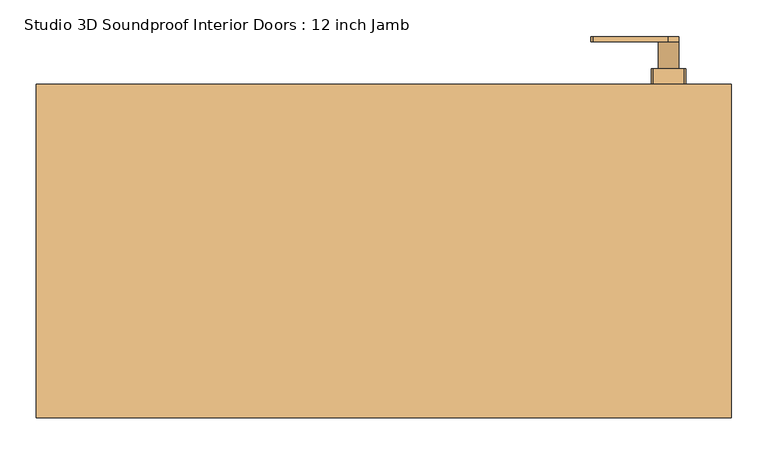
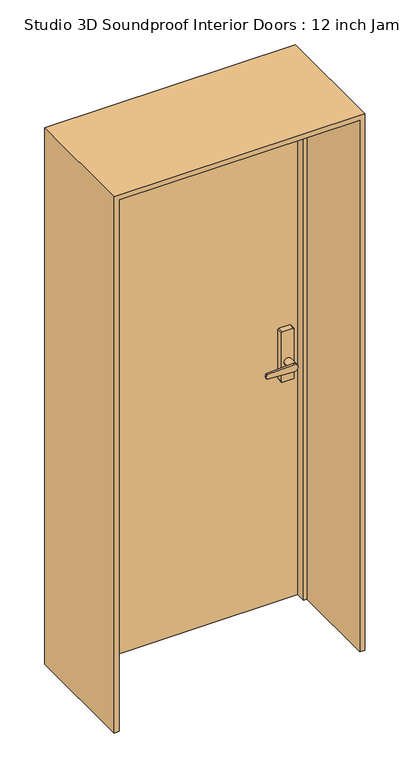
"""IFC4 building model written with IfcOpenShell, lengths in millimetres: door geometry, Studio 3D Soundproof Interior Doors : 12 inch Jamb."""

import ifcopenshell
import ifcopenshell.guid

model = None  # the IFC model being written
_history = None  # IfcOwnerHistory: only IFC2X3 demands one
_inside = {}  # id of a spatial element -> (the spatial element, [elements in it])
_under = {}  # id of a project, library or spatial element -> (it, [spatial elements below it])
_declared = {}  # id of a project -> (the project, [libraries it declares])
_typed = {}  # id of a type object -> (the type object, [elements of that type])
_made_of = {}  # id of a material, layer set ... -> (it, [elements and type objects made of it])


def new_model(schema):
    """Start an empty IFC model of exactly this schema.

    Asked for "IFC4X3", IfcOpenShell would pick the latest addendum, in which some entities
    have other attributes; the version numbers below select the first issue.
    IFC2X3 requires an IfcOwnerHistory on every rooted entity: one is made here for all.
    """
    global model, _history
    if schema == "IFC4X3":
        model = ifcopenshell.file(schema_version=(4, 3, 0, 0))
    else:
        model = ifcopenshell.file(schema=schema)
    _inside.clear()
    _under.clear()
    _declared.clear()
    _typed.clear()
    _made_of.clear()
    _history = None
    if model.schema == "IFC2X3":
        org = make("IfcOrganization", Name="unknown")
        user = make(
            "IfcPersonAndOrganization",
            ThePerson=make("IfcPerson", FamilyName="unknown"),
            TheOrganization=org,
        )
        app = make(
            "IfcApplication",
            ApplicationDeveloper=org,
            Version="unknown",
            ApplicationFullName="unknown",
            ApplicationIdentifier="unknown",
        )
        _history = make(
            "IfcOwnerHistory",
            OwningUser=user,
            OwningApplication=app,
            ChangeAction="ADDED",
            CreationDate=0,
        )
    return model


def make(cls, **values):
    """One entity of the class cls with the attributes given. An attribute that is None is left unset."""
    return model.create_entity(
        cls, **{name: value for name, value in values.items() if value is not None}
    )


def rooted(cls, **values):
    """An entity with a GlobalId (a new one), such as an element, a storey or a relation."""
    return make(cls, GlobalId=ifcopenshell.guid.new(), OwnerHistory=_history, **values)


def si_unit(unit_type, name, prefix=None):
    """IfcSIUnit, for example si_unit("LENGTHUNIT", "METRE", prefix="MILLI")."""
    return make("IfcSIUnit", UnitType=unit_type, Prefix=prefix, Name=name)


def assignment(units):
    """IfcUnitAssignment: the units of a project."""
    return None if units is None else make("IfcUnitAssignment", Units=units)


def point(xyz):
    """IfcCartesianPoint."""
    return None if xyz is None else make("IfcCartesianPoint", Coordinates=xyz)


def direction(xyz):
    """IfcDirection."""
    return None if xyz is None else make("IfcDirection", DirectionRatios=xyz)


def frame(location, z_axis=None, x_axis=None):
    """IfcAxis2Placement3D, a coordinate frame: its origin and axes. An axis left out is left unset."""
    return make(
        "IfcAxis2Placement3D",
        Location=point(location),
        Axis=direction(z_axis),
        RefDirection=direction(x_axis),
    )


def frame_2d(location, x_axis=None):
    """IfcAxis2Placement2D, a coordinate frame in the plane: its origin and x axis."""
    return make(
        "IfcAxis2Placement2D", Location=point(location), RefDirection=direction(x_axis)
    )


def origin():
    """The frame at (0, 0, 0) with its axes left unset."""
    return frame((0.0, 0.0, 0.0))


def origin_with_axes():
    """The frame at (0, 0, 0) with the z axis (0, 0, 1) and the x axis (1, 0, 0) written out."""
    return frame((0.0, 0.0, 0.0), z_axis=(0.0, 0.0, 1.0), x_axis=(1.0, 0.0, 0.0))


def place(relative_to, where):
    """IfcLocalPlacement: puts the frame where relative to a parent placement (None: the world)."""
    return make(
        "IfcLocalPlacement", PlacementRelTo=relative_to, RelativePlacement=where
    )


def context(
    kind, dimensions, precision=None, world=None, true_north=None, identifier=None
):
    """IfcGeometricRepresentationContext, for example the 3D "Model" context."""
    return make(
        "IfcGeometricRepresentationContext",
        ContextIdentifier=identifier,
        ContextType=kind,
        CoordinateSpaceDimension=dimensions,
        Precision=precision,
        WorldCoordinateSystem=world,
        TrueNorth=true_north,
    )


def project(units=None, contexts=None):
    """IfcProject with its units and contexts."""
    return rooted(
        "IfcProject",
        Name="project",
        RepresentationContexts=contexts,
        UnitsInContext=assignment(units),
    )


def spatial(cls, under=None, at=None, **own):
    """A site, building, storey or space (cls), placed at a placement, below another one or the project."""
    s = rooted(cls, ObjectPlacement=at, **own)
    if under is not None:
        _under.setdefault(under.id(), (under, []))[1].append(s)
    return s


def polyline(points):
    """IfcPolyline through the points."""
    return make("IfcPolyline", Points=[point(p) for p in points])


def circle_curve(where, radius):
    """IfcCircle in the frame where."""
    return make("IfcCircle", Position=where, Radius=radius)


def trimmed(basis, trim1, trim2, sense, master):
    """IfcTrimmedCurve: the piece of a basis curve between two trims."""
    return make(
        "IfcTrimmedCurve",
        BasisCurve=basis,
        Trim1=trim1,
        Trim2=trim2,
        SenseAgreement=sense,
        MasterRepresentation=master,
    )


def segment(curve, same_sense, transition):
    """IfcCompositeCurveSegment."""
    return make(
        "IfcCompositeCurveSegment",
        Transition=transition,
        SameSense=same_sense,
        ParentCurve=curve,
    )


def composite_curve(segments, self_intersect=None):
    """IfcCompositeCurve: segments joined end to end."""
    return make("IfcCompositeCurve", Segments=segments, SelfIntersect=self_intersect)


def outline(outer, holes=None, kind="AREA"):
    """IfcArbitraryClosedProfileDef: a profile drawn as a closed curve; with holes, ...WithVoids."""
    if holes is None:
        return make("IfcArbitraryClosedProfileDef", ProfileType=kind, OuterCurve=outer)
    return make(
        "IfcArbitraryProfileDefWithVoids",
        ProfileType=kind,
        OuterCurve=outer,
        InnerCurves=holes,
    )


def extrude(swept, where, along, depth):
    """IfcExtrudedAreaSolid: the profile swept, set in the frame where, extruded along a direction by depth."""
    return make(
        "IfcExtrudedAreaSolid",
        SweptArea=swept,
        Position=where,
        ExtrudedDirection=direction(along),
        Depth=depth,
    )


def faces_of(points, faces, orient=None, outer=None):
    """IfcFace entities. A face is a list of loops; a loop is a list of indices into points, from 0.

    orient and outer hold one flag for each loop. By default every Orientation is true, the
    first loop of a face is its IfcFaceOuterBound and the others are IfcFaceBound.
    """
    made = []
    for i, loops in enumerate(faces):
        bounds = []
        for j, loop in enumerate(loops):
            is_outer = j == 0 if outer is None else outer[i][j]
            bounds.append(
                make(
                    "IfcFaceOuterBound" if is_outer else "IfcFaceBound",
                    Bound=make("IfcPolyLoop", Polygon=[points[k] for k in loop]),
                    Orientation=True if orient is None else orient[i][j],
                )
            )
        made.append(make("IfcFace", Bounds=bounds))
    return made


def faceted_brep(points, faces, orient=None, outer=None, voids=None):
    """IfcFacetedBrep: a solid bounded by flat faces; with voids (closed shells), ...WithVoids."""
    shared = [point(p) for p in points]
    hull = make("IfcClosedShell", CfsFaces=faces_of(shared, faces, orient, outer))
    if voids is None:
        return make("IfcFacetedBrep", Outer=hull)
    return make(
        "IfcFacetedBrepWithVoids",
        Outer=hull,
        Voids=[
            make(cls, CfsFaces=faces_of(shared, fs, o, b)) for cls, fs, o, b in voids
        ],
    )


def shape(context_of_items, identifier, shape_type, items):
    """IfcShapeRepresentation: the items that make up one representation, for example the "Body"."""
    return make(
        "IfcShapeRepresentation",
        ContextOfItems=context_of_items,
        RepresentationIdentifier=identifier,
        RepresentationType=shape_type,
        Items=items,
    )


def source(mapping_origin, context_of_items, identifier, shape_type, items):
    """IfcRepresentationMap: a shape defined once, which mapped items show again and again."""
    return make(
        "IfcRepresentationMap",
        MappingOrigin=mapping_origin,
        MappedRepresentation=shape(context_of_items, identifier, shape_type, items),
    )


def transform(
    local_origin,
    x_axis=None,
    y_axis=None,
    z_axis=None,
    scale=None,
    scale2=None,
    scale3=None,
    uniform=True,
):
    """IfcCartesianTransformationOperator3D, or its non-uniform kind. x_axis, y_axis, z_axis: its Axis1, 2, 3."""
    if uniform:
        return make(
            "IfcCartesianTransformationOperator3D",
            Axis1=direction(x_axis),
            Axis2=direction(y_axis),
            LocalOrigin=point(local_origin),
            Scale=scale,
            Axis3=direction(z_axis),
        )
    return make(
        "IfcCartesianTransformationOperator3DnonUniform",
        Axis1=direction(x_axis),
        Axis2=direction(y_axis),
        LocalOrigin=point(local_origin),
        Scale=scale,
        Axis3=direction(z_axis),
        Scale2=scale2,
        Scale3=scale3,
    )


def mapped(mapping_source, mapping_target):
    """IfcMappedItem: shows the shape of a source again, moved by a transform."""
    return make(
        "IfcMappedItem", MappingSource=mapping_source, MappingTarget=mapping_target
    )


def made_of(thing, what):
    """Note that an element or type object is made of a material, layer set ...; save() writes the relation."""
    if what is not None:
        _made_of.setdefault(what.id(), (what, []))[1].append(thing)
    return thing


def element(
    cls,
    number,
    at=None,
    inside=None,
    cuts=None,
    type_object=None,
    material=None,
    context=None,
    identifier="Body",
    shape_type=None,
    held_by="IfcProductDefinitionShape",
    body=None,
    shapes=None,
    **own,
):
    """One element of the class cls, such as IfcWall. Its Tag is "e" and its number.

    at: its placement. inside: the storey or other place that contains it. cuts: it is an
    opening in that element (IfcRelVoidsElement). A single representation is given by context,
    identifier, shape_type and body (its items); several are given by shapes. held_by: the class
    of the entity that holds the representations. save() writes the other relations.
    """
    e = rooted(cls, Tag="e%d" % number, ObjectPlacement=at, **own)
    if body is not None:
        shapes = [shape(context, identifier, shape_type, body)]
    if shapes is not None:
        e.Representation = make(held_by, Representations=shapes)
    if inside is not None:
        _inside.setdefault(inside.id(), (inside, []))[1].append(e)
    if cuts is not None:
        rooted(
            "IfcRelVoidsElement", RelatingBuildingElement=cuts, RelatedOpeningElement=e
        )
    if type_object is not None:
        _typed.setdefault(type_object.id(), (type_object, []))[1].append(e)
    return made_of(e, material)


def aggregate(whole, parts):
    """IfcRelAggregates: a whole, such as a stair, and the parts it consists of."""
    return rooted("IfcRelAggregates", RelatingObject=whole, RelatedObjects=parts)


def save(model, path):
    """Write the relations noted so far, then the file.

    IfcRelAggregates (storeys below a building ...), IfcRelContainedInSpatialStructure (elements
    in a storey), IfcRelDefinesByType, IfcRelAssociatesMaterial and IfcRelDeclares: one each for
    every whole, place, type object, material and project.
    """
    for whole, parts in _under.values():
        aggregate(whole, parts)
    for where, things in _inside.values():
        rooted(
            "IfcRelContainedInSpatialStructure",
            RelatedElements=things,
            RelatingStructure=where,
        )
    for kind, things in _typed.values():
        rooted("IfcRelDefinesByType", RelatedObjects=things, RelatingType=kind)
    for what, things in _made_of.values():
        rooted("IfcRelAssociatesMaterial", RelatedObjects=things, RelatingMaterial=what)
    for by, libraries in _declared.values():
        rooted("IfcRelDeclares", RelatingContext=by, RelatedDefinitions=libraries)
    model.write(path)


def studio_3d_soundproof_interior_doors_12_inch_jamb_88465b1b(model_context):
    return source(origin(), model_context, "Body", "SolidModel", [
        extrude(outline(composite_curve([segment(trimmed(circle_curve(frame_2d((971.3540529, 301.4004793)), 17.2515478), [point((980.8500629, 286.9976429))], [point((961.858043, 286.9976429))], False, "CARTESIAN"), True, "CONTINUOUS"), segment(polyline([(961.858043, 286.9976429), (957.1140902, 390.5562374)]), True, "CONTINUOUS"), segment(trimmed(circle_curve(frame_2d((971.3540529, 390.5282704)), 14.2399902), [point((957.1140902, 390.5562374))], [point((985.5940156, 390.5562374))], False, "CARTESIAN"), True, "CONTINUOUS"), segment(polyline([(985.5940156, 390.5562374), (980.8500629, 286.9976429)]), True, "CONTINUOUS")], self_intersect=False)), frame((0.0, 287.1687888, 0.0), z_axis=(0.0, 1.0, 0.0), x_axis=(0.0, 0.0, 1.0)), (0.0, 0.0, 1.0), 6.9288506),
        extrude(outline(composite_curve([segment(trimmed(circle_curve(frame_2d((971.3540529, 390.5282704)), 14.2399902), [point((971.3540529, 376.2882802))], [point((971.3540529, 404.7682606))], False, "CARTESIAN"), True, "CONTINUOUS"), segment(trimmed(circle_curve(frame_2d((971.3540529, 390.5282704)), 14.2399902), [point((971.3540529, 404.7682606))], [point((971.3540529, 376.2882802))], False, "CARTESIAN"), True, "CONTINUOUS")], self_intersect=False)), frame((0.0, 249.8582345, 0.0), z_axis=(0.0, 1.0, 0.0), x_axis=(0.0, 0.0, 1.0)), (0.0, 0.0, 1.0), 37.3105543),
        extrude(outline(composite_curve([segment(polyline([(1097.9675189, 411.2261984), (1097.9675189, 369.8238016)]), True, "CONTINUOUS"), segment(trimmed(circle_curve(frame_2d((1094.8021823, 369.8238016)), 3.1653366), [point((1097.9675189, 369.8238016))], [point((1094.8021823, 366.658465))], False, "CARTESIAN"), True, "CONTINUOUS"), segment(polyline([(1094.8021823, 366.658465), (898.1753792, 366.658465)]), True, "CONTINUOUS"), segment(trimmed(circle_curve(frame_2d((898.1753792, 369.8238016)), 3.1653366), [point((898.1753792, 366.658465))], [point((895.0100425, 369.8238016))], False, "CARTESIAN"), True, "CONTINUOUS"), segment(polyline([(895.0100425, 369.8238016), (895.0100425, 411.2261984)]), True, "CONTINUOUS"), segment(trimmed(circle_curve(frame_2d((898.1753792, 411.2261984)), 3.1653366), [point((895.0100425, 411.2261984))], [point((898.1753792, 414.391535))], False, "CARTESIAN"), True, "CONTINUOUS"), segment(polyline([(898.1753792, 414.391535), (1094.8021823, 414.391535)]), True, "CONTINUOUS"), segment(trimmed(circle_curve(frame_2d((1094.8021823, 411.2261984)), 3.1653366), [point((1094.8021823, 414.391535))], [point((1097.9675189, 411.2261984))], False, "CARTESIAN"), True, "CONTINUOUS")], self_intersect=False)), frame((0.0, 228.6, 0.0), z_axis=(0.0, 1.0, 0.0), x_axis=(0.0, 0.0, 1.0)), (0.0, 0.0, 1.0), 21.2582345),
        extrude(outline(composite_curve([segment(trimmed(circle_curve(frame_2d((971.3540529, 301.4004793)), 17.2515478), [point((980.8500629, 286.9976429))], [point((961.858043, 286.9976429))], False, "CARTESIAN"), True, "CONTINUOUS"), segment(polyline([(961.858043, 286.9976429), (957.1140902, 390.5562374)]), True, "CONTINUOUS"), segment(trimmed(circle_curve(frame_2d((971.3540529, 390.5282704)), 14.2399902), [point((957.1140902, 390.5562374))], [point((985.5940156, 390.5562374))], False, "CARTESIAN"), True, "CONTINUOUS"), segment(polyline([(985.5940156, 390.5562374), (980.8500629, 286.9976429)]), True, "CONTINUOUS")], self_intersect=False)), frame((0.0, 86.2433876, 0.0), z_axis=(0.0, 1.0, 0.0), x_axis=(0.0, 0.0, 1.0)), (0.0, 0.0, 1.0), 6.9288506),
        extrude(outline(composite_curve([segment(trimmed(circle_curve(frame_2d((971.3540529, 390.5282704)), 14.2399902), [point((971.3540529, 376.2882802))], [point((971.3540529, 404.7682606))], False, "CARTESIAN"), True, "CONTINUOUS"), segment(trimmed(circle_curve(frame_2d((971.3540529, 390.5282704)), 14.2399902), [point((971.3540529, 404.7682606))], [point((971.3540529, 376.2882802))], False, "CARTESIAN"), True, "CONTINUOUS")], self_intersect=False)), frame((0.0, 93.1722383, 0.0), z_axis=(0.0, 1.0, 0.0), x_axis=(0.0, 0.0, 1.0)), (0.0, 0.0, 1.0), 37.3105543),
        extrude(outline(composite_curve([segment(polyline([(1097.9675189, 411.2261984), (1097.9675189, 369.8238016)]), True, "CONTINUOUS"), segment(trimmed(circle_curve(frame_2d((1094.8021823, 369.8238016)), 3.1653366), [point((1097.9675189, 369.8238016))], [point((1094.8021823, 366.658465))], False, "CARTESIAN"), True, "CONTINUOUS"), segment(polyline([(1094.8021823, 366.658465), (898.1753792, 366.658465)]), True, "CONTINUOUS"), segment(trimmed(circle_curve(frame_2d((898.1753792, 369.8238016)), 3.1653366), [point((898.1753792, 366.658465))], [point((895.0100425, 369.8238016))], False, "CARTESIAN"), True, "CONTINUOUS"), segment(polyline([(895.0100425, 369.8238016), (895.0100425, 411.2261984)]), True, "CONTINUOUS"), segment(trimmed(circle_curve(frame_2d((898.1753792, 411.2261984)), 3.1653366), [point((895.0100425, 411.2261984))], [point((898.1753792, 414.391535))], False, "CARTESIAN"), True, "CONTINUOUS"), segment(polyline([(898.1753792, 414.391535), (1094.8021823, 414.391535)]), True, "CONTINUOUS"), segment(trimmed(circle_curve(frame_2d((1094.8021823, 411.2261984)), 3.1653366), [point((1094.8021823, 414.391535))], [point((1097.9675189, 411.2261984))], False, "CARTESIAN"), True, "CONTINUOUS")], self_intersect=False)), frame((0.0, 130.4827925, 0.0), z_axis=(0.0, 1.0, 0.0), x_axis=(0.0, 0.0, 1.0)), (0.0, 0.0, 1.0), 21.2582345),
        extrude(outline(polyline([(457.2000762, 157.1623381), (-457.2000762, 157.1623381), (-457.2000762, 228.6), (457.2000762, 228.6), (457.2000762, 157.1623381)])), origin_with_axes(), (0.0, 0.0, 1.0), 2133.8977325),
        faceted_brep([(-476.25, -228.6, 0.0), (-476.25, 228.6, 0.0), (-457.2000762, 228.6, 0.0), (-457.2000762, 157.1623381, 0.0), (-444.4999238, 157.1623381, 0.0), (-444.4999238, 119.0622492, 0.0), (-457.2000176, 119.0622492, 0.0), (-457.2000176, -228.6, 0.0), (-476.25, -228.6, 2152.9476562), (-476.25, 228.6, 2152.9476562), (476.25, 228.6, 2152.9476562), (476.25, 228.6, 0.0), (457.2000762, 228.6, 0.0), (457.2000762, 228.6, 2133.8977325), (-457.2000762, 228.6, 2133.8977325), (-457.2000762, 157.1623381, 2133.8977325), (457.2000762, 157.1623381, 2133.8977325), (457.2000762, 157.1623381, 0.0), (444.4999238, 157.1623381, 0.0), (444.4999238, 157.1623381, 2121.1975801), (-444.4999238, 157.1623381, 2121.1975801), (-444.4999238, 119.0622492, 2121.1975801), (444.4999238, 119.0622492, 2121.1975801), (444.4999238, 119.0622492, 0.0), (457.2000176, 119.0622492, 0.0), (457.2000176, 119.0622492, 2133.8976738), (-457.2000176, 119.0622492, 2133.8976738), (-457.2000176, -228.6, 2133.8976738), (457.2000176, -228.6, 2133.8976738), (457.2000176, -228.6, 0.0), (476.25, -228.6, 0.0), (476.25, -228.6, 2152.9476562)], [[[0, 1, 2, 3, 4, 5, 6, 7]], [[1, 0, 8, 9]], [[2, 1, 9, 10, 11, 12, 13, 14]], [[3, 2, 14, 15]], [[4, 3, 15, 16, 17, 18, 19, 20]], [[5, 4, 20, 21]], [[6, 5, 21, 22, 23, 24, 25, 26]], [[7, 6, 26, 27]], [[0, 7, 27, 28, 29, 30, 31, 8]], [[10, 31, 30, 11]], [[30, 29, 24, 23, 18, 17, 12, 11]], [[16, 13, 12, 17]], [[22, 19, 18, 23]], [[28, 25, 24, 29]], [[9, 8, 31, 10]], [[15, 14, 13, 16]], [[21, 20, 19, 22]], [[27, 26, 25, 28]]]),
    ])


if __name__ == "__main__":
    model = new_model("IFC4")
    model_context = context("Model", 3, world=origin())
    ifc_project = project(units=[si_unit("LENGTHUNIT", "METRE", prefix="MILLI")], contexts=[model_context])
    site = spatial("IfcSite", under=ifc_project)
    building = spatial("IfcBuilding", under=site)
    placement = place(None, origin())
    studio_3d_soundproof_interior_doors_12_inch_jamb_shape = studio_3d_soundproof_interior_doors_12_inch_jamb_88465b1b(model_context)
    element("IfcDoor", 1, ObjectType="Studio 3D Soundproof Interior Doors : 12 inch Jamb", at=placement, inside=building, context=model_context, shape_type="MappedRepresentation", body=[
        mapped(studio_3d_soundproof_interior_doors_12_inch_jamb_shape, transform((0.0, 0.0, 0.0), x_axis=(1.0, 0.0, 0.0), y_axis=(0.0, 1.0, 0.0), z_axis=(0.0, 0.0, 1.0))),
    ])
    save(model, "model.ifc")
